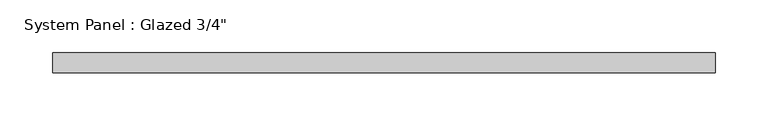
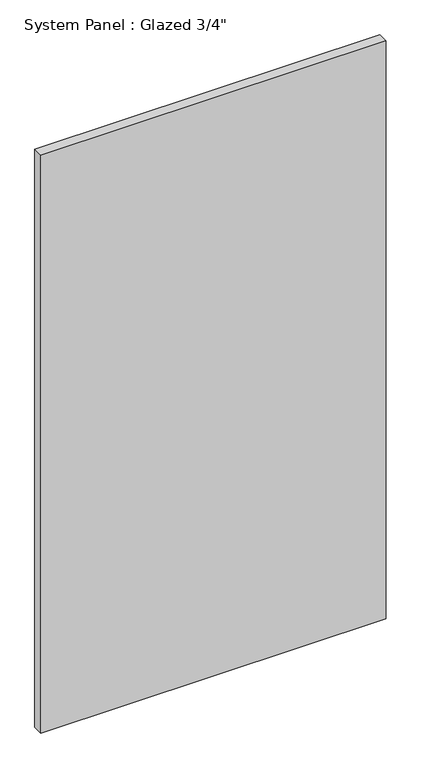
"""IFC4 building model written with IfcOpenShell, lengths in millimetres: plate geometry."""

from ifc_helpers import new_model, si_unit, origin, origin_with_axes, place, context, project, spatial, polyline, outline, extrude, source, transform, mapped, element, save


def plate_912a435a(model_context):
    return source(origin(), model_context, "Body", "SweptSolid", [
        extrude(outline(polyline([(314.325, -4.7625), (-314.325, -4.7625), (-314.325, 14.2875), (314.325, 14.2875), (314.325, -4.7625)])), origin_with_axes(), (0.0, 0.0, 1.0), 1111.25),
    ])


if __name__ == "__main__":
    model = new_model("IFC4")
    model_context = context("Model", 3, world=origin())
    ifc_project = project(units=[si_unit("LENGTHUNIT", "METRE", prefix="MILLI")], contexts=[model_context])
    site = spatial("IfcSite", under=ifc_project)
    building = spatial("IfcBuilding", under=site)
    placement = place(None, origin())
    plate_shape = plate_912a435a(model_context)
    element("IfcPlate", 1, ObjectType="System Panel : Glazed 3/4\"", at=placement, inside=building, context=model_context, shape_type="MappedRepresentation", body=[
        mapped(plate_shape, transform((0.0, 0.0, 0.0), x_axis=(1.0, 0.0, 0.0), y_axis=(0.0, 1.0, 0.0), z_axis=(0.0, 0.0, 1.0))),
    ])
    save(model, "model.ifc")
